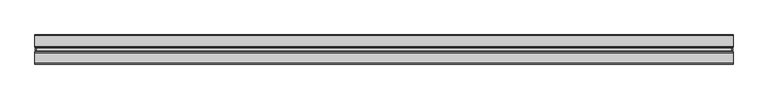
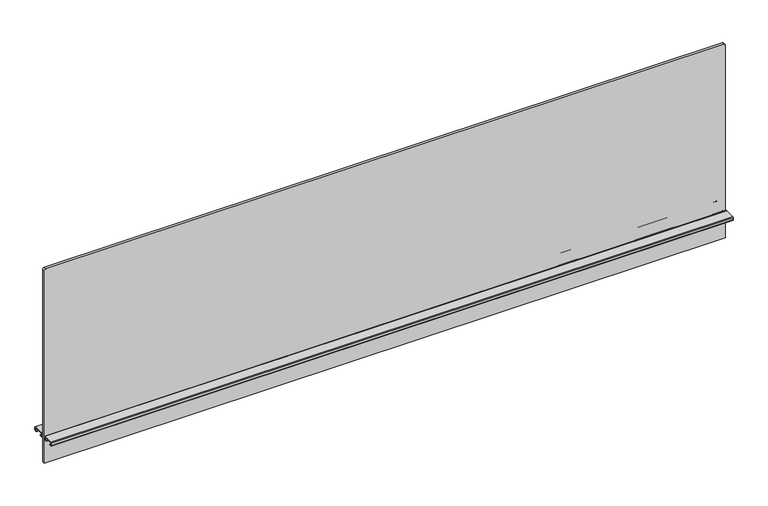
"""IFC4 building model written with IfcOpenShell, lengths in millimetres: furniture geometry."""

from ifc_helpers import new_model, si_unit, point, frame, frame_2d, origin, place, context, project, spatial, polyline, circle_curve, trimmed, segment, composite_curve, outline, extrude, source, transform, mapped, element, save


def furniture_d1193a53(model_context):
    return source(origin(), model_context, "Body", "SweptSolid", [
        extrude(outline(composite_curve([segment(polyline([(1239.367613, 909.32), (1239.367613, -909.32)]), True, "CONTINUOUS"), segment(trimmed(circle_curve(frame_2d((1235.557613, -909.32)), 3.81), [point((1239.367613, -909.32))], [point((1235.557613, -913.13))], False, "CARTESIAN"), True, "CONTINUOUS"), segment(polyline([(1235.557613, -913.13), (689.965613, -913.13), (689.965613, 913.13), (1235.557613, 913.13)]), True, "CONTINUOUS"), segment(trimmed(circle_curve(frame_2d((1235.557613, 909.32)), 3.81), [point((1235.557613, 913.13))], [point((1239.367613, 909.32))], False, "CARTESIAN"), True, "CONTINUOUS")], self_intersect=False)), frame((0.0, -3.683001, 0.0), z_axis=(0.0, 1.0, 0.0), x_axis=(0.0, 0.0, 1.0)), (0.0, 0.0, 1.0), 7.3660021),
        extrude(outline(composite_curve([segment(polyline([(8.1724496, 769.2644064), (36.0679996, 769.2644064)]), True, "CONTINUOUS"), segment(trimmed(circle_curve(frame_2d((36.0679996, 767.2324064)), 2.032), [point((36.0679996, 769.2644064))], [point((38.0999996, 767.2324064))], False, "CARTESIAN"), True, "CONTINUOUS"), segment(polyline([(38.0999996, 767.2324064), (38.0999996, 761.1364161)]), True, "CONTINUOUS"), segment(trimmed(circle_curve(frame_2d((36.0679996, 761.1364161)), 2.032), [point((38.0999996, 761.1364161))], [point((36.0679996, 759.1044161))], False, "CARTESIAN"), True, "CONTINUOUS"), segment(polyline([(36.0679996, 759.1044161), (30.7784504, 759.1044161), (30.7784504, 760.0187498), (36.1695996, 760.0187498)]), True, "CONTINUOUS"), segment(trimmed(circle_curve(frame_2d((36.1695996, 761.0347498)), 1.016), [point((36.1695996, 760.0187498))], [point((37.1855996, 761.0347498))], True, "CARTESIAN"), True, "CONTINUOUS"), segment(polyline([(37.1855996, 761.0347498), (37.1855996, 767.334)]), True, "CONTINUOUS"), segment(trimmed(circle_curve(frame_2d((36.1695996, 767.334)), 1.016), [point((37.1855996, 767.334))], [point((36.1695996, 768.35))], True, "CARTESIAN"), True, "CONTINUOUS"), segment(polyline([(36.1695996, 768.35), (8.0708496, 768.35)]), True, "CONTINUOUS"), segment(trimmed(circle_curve(frame_2d((8.0708496, 767.334)), 1.016), [point((8.0708496, 768.35))], [point((7.0548496, 767.334))], True, "CARTESIAN"), True, "CONTINUOUS"), segment(polyline([(7.0548496, 767.334), (7.0548496, 761.0347498)]), True, "CONTINUOUS"), segment(trimmed(circle_curve(frame_2d((8.0708496, 761.0347498)), 1.016), [point((7.0548496, 761.0347498))], [point((8.0708496, 760.0187498))], True, "CARTESIAN"), True, "CONTINUOUS"), segment(polyline([(8.0708496, 760.0187498), (13.4619988, 760.0187498), (13.4619988, 759.1044161), (8.1724496, 759.1044161)]), True, "CONTINUOUS"), segment(trimmed(circle_curve(frame_2d((8.1724496, 761.1364161)), 2.032), [point((8.1724496, 759.1044161))], [point((6.1404496, 761.1364161))], False, "CARTESIAN"), True, "CONTINUOUS"), segment(polyline([(6.1404496, 761.1364161), (6.1404496, 767.2324064)]), True, "CONTINUOUS"), segment(trimmed(circle_curve(frame_2d((8.1724496, 767.2324064)), 2.032), [point((6.1404496, 767.2324064))], [point((8.1724496, 769.2644064))], False, "CARTESIAN"), True, "CONTINUOUS")], self_intersect=False)), frame((-914.4, 0.0, 0.0), z_axis=(1.0, 0.0, 0.0), x_axis=(0.0, 1.0, 0.0)), (0.0, 0.0, 1.0), 1828.8),
        extrude(outline(composite_curve([segment(trimmed(circle_curve(frame_2d((-8.1724496, 767.2324064)), 2.032), [point((-8.1724496, 769.2644064))], [point((-6.1404496, 767.2324064))], False, "CARTESIAN"), True, "CONTINUOUS"), segment(polyline([(-6.1404496, 767.2324064), (-6.1404496, 761.1364161)]), True, "CONTINUOUS"), segment(trimmed(circle_curve(frame_2d((-8.1724496, 761.1364161)), 2.032), [point((-6.1404496, 761.1364161))], [point((-8.1724496, 759.1044161))], False, "CARTESIAN"), True, "CONTINUOUS"), segment(polyline([(-8.1724496, 759.1044161), (-13.4619988, 759.1044161), (-13.4619988, 760.0187498), (-8.0708496, 760.0187498)]), True, "CONTINUOUS"), segment(trimmed(circle_curve(frame_2d((-8.0708496, 761.0347498)), 1.016), [point((-8.0708496, 760.0187498))], [point((-7.0548496, 761.0347498))], True, "CARTESIAN"), True, "CONTINUOUS"), segment(polyline([(-7.0548496, 761.0347498), (-7.0548496, 767.334)]), True, "CONTINUOUS"), segment(trimmed(circle_curve(frame_2d((-8.0708496, 767.334)), 1.016), [point((-7.0548496, 767.334))], [point((-8.0708496, 768.35))], True, "CARTESIAN"), True, "CONTINUOUS"), segment(polyline([(-8.0708496, 768.35), (-36.1695996, 768.35)]), True, "CONTINUOUS"), segment(trimmed(circle_curve(frame_2d((-36.1695996, 767.334)), 1.016), [point((-36.1695996, 768.35))], [point((-37.1855996, 767.334))], True, "CARTESIAN"), True, "CONTINUOUS"), segment(polyline([(-37.1855996, 767.334), (-37.1855996, 761.0347498)]), True, "CONTINUOUS"), segment(trimmed(circle_curve(frame_2d((-36.1695996, 761.0347498)), 1.016), [point((-37.1855996, 761.0347498))], [point((-36.1695996, 760.0187498))], True, "CARTESIAN"), True, "CONTINUOUS"), segment(polyline([(-36.1695996, 760.0187498), (-30.7784504, 760.0187498), (-30.7784504, 759.1044161), (-36.0679996, 759.1044161)]), True, "CONTINUOUS"), segment(trimmed(circle_curve(frame_2d((-36.0679996, 761.1364161)), 2.032), [point((-36.0679996, 759.1044161))], [point((-38.0999996, 761.1364161))], False, "CARTESIAN"), True, "CONTINUOUS"), segment(polyline([(-38.0999996, 761.1364161), (-38.0999996, 767.2324064)]), True, "CONTINUOUS"), segment(trimmed(circle_curve(frame_2d((-36.0679996, 767.2324064)), 2.032), [point((-38.0999996, 767.2324064))], [point((-36.0679996, 769.2644064))], False, "CARTESIAN"), True, "CONTINUOUS"), segment(polyline([(-36.0679996, 769.2644064), (-8.1724496, 769.2644064)]), True, "CONTINUOUS")], self_intersect=False)), frame((-914.4, 0.0, 0.0), z_axis=(1.0, 0.0, 0.0), x_axis=(0.0, 1.0, 0.0)), (0.0, 0.0, 1.0), 1828.8),
    ])


if __name__ == "__main__":
    model = new_model("IFC4")
    model_context = context("Model", 3, world=origin())
    ifc_project = project(units=[si_unit("LENGTHUNIT", "METRE", prefix="MILLI")], contexts=[model_context])
    site = spatial("IfcSite", under=ifc_project)
    building = spatial("IfcBuilding", under=site)
    placement = place(None, origin())
    furniture_shape = furniture_d1193a53(model_context)
    element("IfcFurniture", 1, at=placement, inside=building, context=model_context, shape_type="MappedRepresentation", body=[
        mapped(furniture_shape, transform((0.0, 0.0, 0.0), x_axis=(1.0, 0.0, 0.0), y_axis=(0.0, 1.0, 0.0), z_axis=(0.0, 0.0, 1.0))),
    ])
    save(model, "model.ifc")
